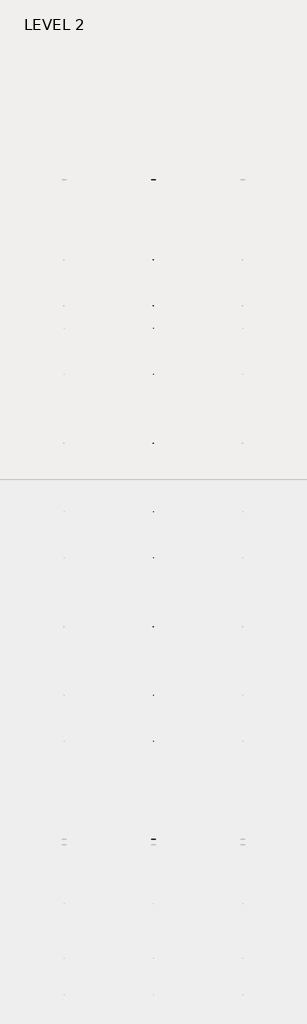
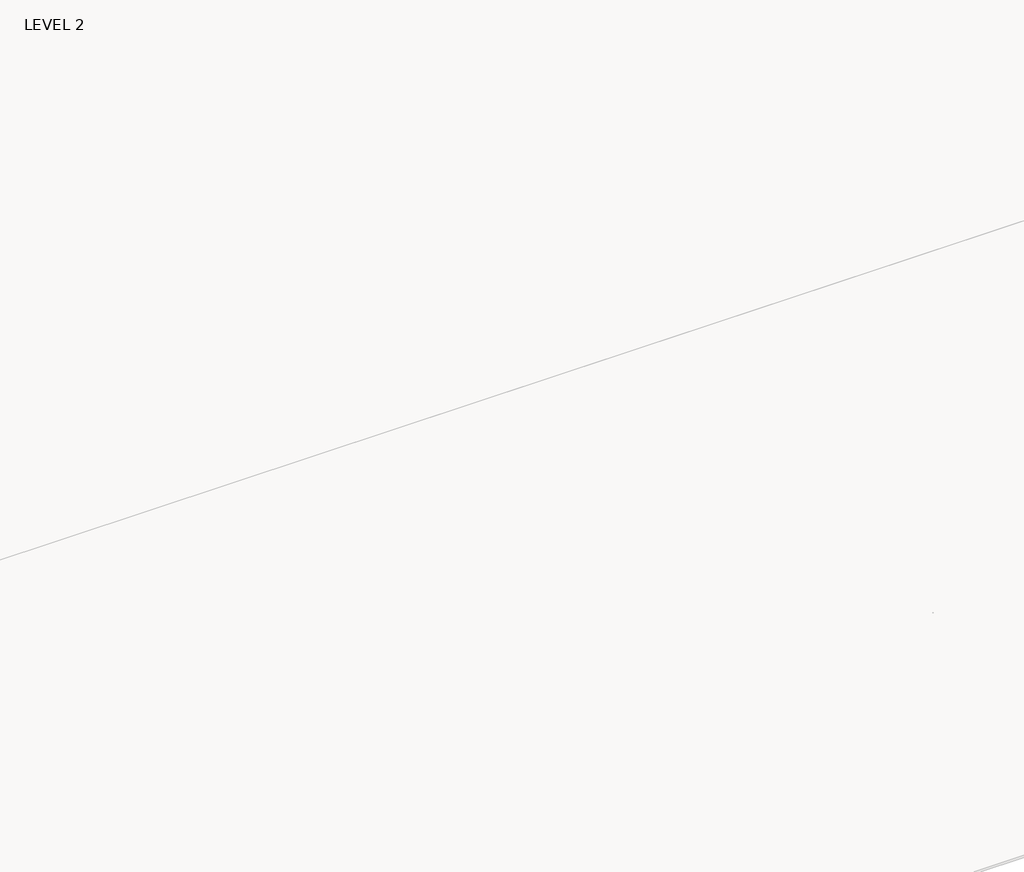
# One storey, part 50 of 67: 1 beam.
"""IFC4 building model written with IfcOpenShell, lengths in millimetres."""

from ifc_helpers import new_model, si_unit, frame, origin, place, context, project, spatial, polyline, outline, extrude, faceted_brep, element, save

model = new_model("IFC4")

# Units and contexts
model_context = context("Model", 3, world=origin())
ifc_project = project(units=[si_unit("LENGTHUNIT", "METRE", prefix="MILLI")], contexts=[model_context])

# Site, building, storey
site = spatial("IfcSite", under=ifc_project)
building = spatial("IfcBuilding", under=site)
storey = spatial("IfcBuildingStorey", under=building, Name="LEVEL 2", Elevation=6908.8)

# Beam
placement = place(None, origin())
element("IfcBeam", 1, ObjectType="K-Series Bar Joist-Angle Web : 30K7", at=placement, inside=storey, context=model_context, shape_type="SolidModel", body=[
    extrude(outline(polyline([(0.0, -9.525), (0.0, 0.0), (1596.011582, 0.0), (1596.011582, -9.525), (0.0, -9.525)])), frame((45684.0116542, 3035.5608234, 6301.5998528), z_axis=(0.0, -0.45537207995192985, 0.8903012236317849), x_axis=(0.0, -0.8903012236317849, -0.45537207995192985)), (0.0, 0.0, 1.0), 9.525),
    extrude(outline(polyline([(0.0, -9.525), (0.0, 0.0), (1596.011582, 0.0), (1596.011582, -9.525), (0.0, -9.525)])), frame((45674.4866542, -9405.2089013, 6276.405159), z_axis=(0.0, 0.45176233395621196, 0.8921383265046045), x_axis=(0.0, 0.8921383265046045, -0.45176233395621196)), (0.0, 0.0, 1.0), 9.525),
    extrude(outline(polyline([(4.7625, 4.7625), (4.7625, -4.7625), (-4.7625, -4.7625), (-4.7625, 4.7625), (4.7625, 4.7625)])), frame((45679.2491542, 1612.4610495, 5579.0607987), z_axis=(0.0, 0.5141906943646374, 0.8576758885667779), x_axis=(-1.0, 0.0, 0.0)), (0.0, 0.0, 1.0), 845.0528554),
    extrude(outline(polyline([(4.7625, 4.7625), (4.7625, -4.7625), (-4.7625, -4.7625), (-4.7625, 4.7625), (4.7625, 4.7625)])), frame((45679.2491542, -7979.1942813, 5559.6360505), z_axis=(0.0, -0.5176603441548682, 0.8555862131249332), x_axis=(-1.0, 0.0, 0.0)), (0.0, 0.0, 1.0), 845.0528554),
    extrude(outline(polyline([(0.0, 0.0), (31.75, 0.0), (31.75, -6.35), (6.35, -6.35), (6.35, -31.75), (0.0, -31.75), (0.0, 0.0)])), frame((45684.0116542, -8080.7812131, 5553.0803065), z_axis=(0.0, 0.9999979493462576, 0.0020251674695521043), x_axis=(1.0, 0.0, 0.0)), (0.0, 0.0, 1.0), 9794.875),
    extrude(outline(polyline([(-9.525, 0.0), (-9.525, -31.75), (-15.875, -31.75), (-15.875, -6.35), (-41.275, -6.35), (-41.275, 0.0), (-9.525, 0.0)])), frame((45684.0116542, -8080.7812131, 5553.0803065), z_axis=(0.0, 0.9999979493462576, 0.0020251674695521043), x_axis=(1.0, 0.0, 0.0)), (0.0, 0.0, 1.0), 9794.875),
    extrude(outline(polyline([(-31.75, 0.0), (0.0, 0.0), (0.0, -6.35), (-25.4, -6.35), (-25.4, -31.75), (-31.75, -31.75), (-31.75, 0.0)])), frame((45715.7616542, -9504.5928758, 6248.6982759), z_axis=(0.0, 0.9999979493462576, 0.0020251674695521043), x_axis=(1.0, 0.0, 0.0)), (0.0, 0.0, 1.0), 101.6),
    extrude(outline(polyline([(-41.275, 0.0), (-41.275, -31.75), (-47.625, -31.75), (-47.625, -6.35), (-73.025, -6.35), (-73.025, 0.0), (-41.275, 0.0)])), frame((45715.7616542, -9504.5928758, 6248.6982759), z_axis=(0.0, 0.9999979493462576, 0.0020251674695521043), x_axis=(1.0, 0.0, 0.0)), (0.0, 0.0, 1.0), 101.6),
    extrude(outline(polyline([(0.0, 0.0), (31.75, 0.0), (31.75, -6.35), (6.35, -6.35), (6.35, -31.75), (0.0, -31.75), (0.0, 0.0)])), frame((45674.4866542, 3033.456413, 6274.0899775), z_axis=(0.0, 0.9999979493462576, 0.0020251674695521043), x_axis=(0.0, -0.0020251674695521043, 0.9999979493462576)), (0.0, 0.0, 1.0), 101.6),
    extrude(outline(polyline([(0.0, 41.275), (6.35, 41.275), (6.35, 15.875), (31.75, 15.875), (31.75, 9.525), (0.0, 9.525), (0.0, 41.275)])), frame((45674.4866542, 3033.456413, 6274.0899775), z_axis=(0.0, 0.9999979493462576, 0.0020251674695521043), x_axis=(0.0, -0.0020251674695521043, 0.9999979493462576)), (0.0, 0.0, 1.0), 101.6),
    extrude(outline(polyline([(0.0, 0.0), (31.75, 0.0), (31.75, -6.35), (6.35, -6.35), (6.35, -31.75), (0.0, -31.75), (0.0, 0.0)])), frame((45684.0116542, -9504.7214739, 6312.1981457), z_axis=(0.0, 0.9999979493462576, 0.0020251674695521043), x_axis=(0.0, 0.0020251674695521043, -0.9999979493462576)), (0.0, 0.0, 1.0), 12639.675),
    extrude(outline(polyline([(0.0, 9.525), (0.0, 41.275), (6.35, 41.275), (6.35, 15.875), (31.75, 15.875), (31.75, 9.525), (0.0, 9.525)])), frame((45684.0116542, -9504.7214739, 6312.1981457), z_axis=(0.0, 0.9999979493462576, 0.0020251674695521043), x_axis=(0.0, 0.0020251674695521043, -0.9999979493462576)), (0.0, 0.0, 1.0), 12639.675),
    faceted_brep([(45679.2491542, 1612.4289, 5594.9357661), (45679.2491542, 1612.4674794, 5575.8858052), (45674.4866542, 1612.4674794, 5575.8858052), (45674.4866542, 1612.4289, 5594.9357661), (45679.2491542, 1611.5910583, 5594.9340693), (45679.2491542, 1186.8149607, 6330.6753354), (45679.2491542, 1168.6028414, 6330.6384527), (45679.2491542, 1168.6414208, 6311.5884918), (45679.2491542, 1175.8292494, 6311.6030483), (45679.2491542, 1600.6053471, 5575.8617823), (45674.4866542, 1600.6053471, 5575.8617823), (45674.4866542, 1580.4651011, 5610.7460665), (45674.4866542, 1584.5895575, 5613.1272983), (45674.4866542, 1189.1083632, 6298.1277874), (45674.4866542, 1184.9839067, 6295.7465555), (45674.4866542, 1175.8292494, 6311.6030483), (45674.4866542, 1168.6414208, 6311.5884918), (45674.4866542, 1168.6028414, 6330.6384527), (45674.4866542, 1186.8149607, 6330.6753354), (45674.4866542, 1611.5910583, 5594.9340693), (45661.7866542, 1184.9839067, 6295.7465555), (45661.7866542, 1580.4651011, 5610.7460665), (45661.7866542, 1584.5895575, 5613.1272983), (45661.7866542, 1189.1083632, 6298.1277874)], [[[0, 1, 2, 3]], [[1, 0, 4, 5, 6, 7, 8, 9]], [[2, 1, 9, 10]], [[3, 2, 10, 11, 12, 13, 14, 15, 16, 17, 18, 19]], [[0, 3, 19, 4]], [[9, 8, 15, 14, 20, 21, 11, 10]], [[5, 4, 19, 18]], [[7, 6, 17, 16]], [[8, 7, 16, 15]], [[6, 5, 18, 17]], [[21, 22, 12, 11]], [[20, 14, 13, 23]], [[22, 21, 20, 23]], [[12, 22, 23, 13]]]),
    extrude(outline(polyline([(740.498813, 5574.119919), (740.4602335, 5593.1698799), (741.2980751, 5593.1715767), (1163.090696, 6330.6272897), (1181.3028154, 6330.6641723), (1181.3413948, 6311.6142114), (1174.1535662, 6311.5996548), (752.3609453, 5574.1439418), (740.498813, 5574.119919)])), frame((45679.2491542, 0.0, 0.0), z_axis=(1.0, 0.0, 0.0), x_axis=(0.0, 1.0, 0.0)), (0.0, 0.0, 1.0), 4.7625),
    extrude(outline(polyline([(-4.7625, 4.7625), (-4.7625, 0.0), (-17.4625, 0.0), (-17.4625, 4.7625), (-4.7625, 4.7625)])), frame((45679.2491542, 772.3597334, 5609.1095144), z_axis=(0.0, 0.4964843899757221, 0.8680456500152716), x_axis=(-1.0, 0.0, 0.0)), (0.0, 0.0, 1.0), 790.9684223),
    faceted_brep([(45679.2491542, -7107.2577644, 5577.2769041), (45679.2491542, -7107.219185, 5558.2269432), (45674.4866542, -7107.219185, 5558.2269432), (45674.4866542, -7107.2577644, 5577.2769041), (45679.2491542, -7108.095606, 5577.2752074), (45679.2491542, -7532.8717036, 6313.0164734), (45679.2491542, -7551.083823, 6312.9795907), (45679.2491542, -7551.0452435, 6293.9296298), (45679.2491542, -7543.8574149, 6293.9441864), (45679.2491542, -7119.0813173, 5558.2029203), (45674.4866542, -7119.0813173, 5558.2029203), (45674.4866542, -7139.2215633, 5593.0872045), (45674.4866542, -7135.0971068, 5595.4684363), (45674.4866542, -7530.5783012, 6280.4689254), (45674.4866542, -7534.7027576, 6278.0876936), (45674.4866542, -7543.8574149, 6293.9441864), (45674.4866542, -7551.0452435, 6293.9296298), (45674.4866542, -7551.083823, 6312.9795907), (45674.4866542, -7532.8717036, 6313.0164734), (45674.4866542, -7108.095606, 5577.2752074), (45661.7866542, -7534.7027576, 6278.0876936), (45661.7866542, -7139.2215633, 5593.0872045), (45661.7866542, -7135.0971068, 5595.4684363), (45661.7866542, -7530.5783012, 6280.4689254)], [[[0, 1, 2, 3]], [[1, 0, 4, 5, 6, 7, 8, 9]], [[2, 1, 9, 10]], [[3, 2, 10, 11, 12, 13, 14, 15, 16, 17, 18, 19]], [[0, 3, 19, 4]], [[9, 8, 15, 14, 20, 21, 11, 10]], [[5, 4, 19, 18]], [[7, 6, 17, 16]], [[8, 7, 16, 15]], [[6, 5, 18, 17]], [[21, 22, 12, 11]], [[20, 14, 13, 23]], [[22, 21, 20, 23]], [[12, 22, 23, 13]]]),
    extrude(outline(polyline([(-7979.1878514, 5556.461057), (-7979.2264308, 5575.5110179), (-7978.3885892, 5575.5127147), (-7556.5959683, 6312.9684277), (-7538.383849, 6313.0053103), (-7538.3452696, 6293.9553494), (-7545.5330982, 6293.9407928), (-7967.3257191, 5556.4850798), (-7979.1878514, 5556.461057)])), frame((45679.2491542, 0.0, 0.0), z_axis=(1.0, 0.0, 0.0), x_axis=(0.0, 1.0, 0.0)), (0.0, 0.0, 1.0), 4.7625),
    extrude(outline(polyline([(-4.7625, 4.7625), (-4.7625, 0.0), (-17.4625, 0.0), (-17.4625, 4.7625), (-4.7625, 4.7625)])), frame((45679.2491542, -7947.326931, 5591.4506524), z_axis=(0.0, 0.4964843899757221, 0.8680456500152716), x_axis=(-1.0, 0.0, 0.0)), (0.0, 0.0, 1.0), 790.9684223),
    faceted_brep([(45679.2491542, 740.4602335, 5593.1698799), (45679.2491542, 740.498813, 5574.119919), (45674.4866542, 740.498813, 5574.119919), (45674.4866542, 740.4602335, 5593.1698799), (45679.2491542, 739.6223919, 5593.1681831), (45679.2491542, 314.8462943, 6328.9094492), (45679.2491542, 296.634175, 6328.8725665), (45679.2491542, 296.6727544, 6309.8226056), (45679.2491542, 303.860583, 6309.8371621), (45679.2491542, 728.6366806, 5574.0958961), (45674.4866542, 728.6366806, 5574.0958961), (45674.4866542, 708.4964346, 5608.9801803), (45674.4866542, 712.6208911, 5611.3614121), (45674.4866542, 317.1396968, 6296.3619012), (45674.4866542, 313.0152403, 6293.9806693), (45674.4866542, 303.860583, 6309.8371621), (45674.4866542, 296.6727544, 6309.8226056), (45674.4866542, 296.634175, 6328.8725665), (45674.4866542, 314.8462943, 6328.9094492), (45674.4866542, 739.6223919, 5593.1681831), (45661.7866542, 313.0152403, 6293.9806693), (45661.7866542, 708.4964346, 5608.9801803), (45661.7866542, 712.6208911, 5611.3614121), (45661.7866542, 317.1396968, 6296.3619012)], [[[0, 1, 2, 3]], [[1, 0, 4, 5, 6, 7, 8, 9]], [[2, 1, 9, 10]], [[3, 2, 10, 11, 12, 13, 14, 15, 16, 17, 18, 19]], [[0, 3, 19, 4]], [[9, 8, 15, 14, 20, 21, 11, 10]], [[5, 4, 19, 18]], [[7, 6, 17, 16]], [[8, 7, 16, 15]], [[6, 5, 18, 17]], [[21, 22, 12, 11]], [[20, 14, 13, 23]], [[22, 21, 20, 23]], [[12, 22, 23, 13]]]),
    extrude(outline(polyline([(-131.4698535, 5572.3540328), (-131.5084329, 5591.4039937), (-130.6705913, 5591.4056905), (291.1220296, 6328.8614035), (309.3341489, 6328.8982861), (309.3727284, 6309.8483252), (302.1848998, 6309.8337686), (-119.6077211, 5572.3780556), (-131.4698535, 5572.3540328)])), frame((45679.2491542, 0.0, 0.0), z_axis=(1.0, 0.0, 0.0), x_axis=(0.0, 1.0, 0.0)), (0.0, 0.0, 1.0), 4.7625),
    extrude(outline(polyline([(-4.7625, 4.7625), (-4.7625, 0.0), (-17.4625, 0.0), (-17.4625, 4.7625), (-4.7625, 4.7625)])), frame((45679.2491542, -99.6089331, 5607.3436282), z_axis=(0.0, 0.4964843899757221, 0.8680456500152716), x_axis=(-1.0, 0.0, 0.0)), (0.0, 0.0, 1.0), 790.9684223),
    faceted_brep([(45679.2491542, -131.5084329, 5591.4039937), (45679.2491542, -131.4698535, 5572.3540328), (45674.4866542, -131.4698535, 5572.3540328), (45674.4866542, -131.5084329, 5591.4039937), (45679.2491542, -132.3462745, 5591.4022969), (45679.2491542, -557.1223722, 6327.143563), (45679.2491542, -575.3344915, 6327.1066803), (45679.2491542, -575.295912, 6308.0567194), (45679.2491542, -568.1080834, 6308.0712759), (45679.2491542, -143.3319858, 5572.3300099), (45674.4866542, -143.3319858, 5572.3300099), (45674.4866542, -163.4722318, 5607.2142941), (45674.4866542, -159.3477753, 5609.5955259), (45674.4866542, -554.8289697, 6294.596015), (45674.4866542, -558.9534262, 6292.2147831), (45674.4866542, -568.1080834, 6308.0712759), (45674.4866542, -575.295912, 6308.0567194), (45674.4866542, -575.3344915, 6327.1066803), (45674.4866542, -557.1223722, 6327.143563), (45674.4866542, -132.3462745, 5591.4022969), (45661.7866542, -558.9534262, 6292.2147831), (45661.7866542, -163.4722318, 5607.2142941), (45661.7866542, -159.3477753, 5609.5955259), (45661.7866542, -554.8289697, 6294.596015)], [[[0, 1, 2, 3]], [[1, 0, 4, 5, 6, 7, 8, 9]], [[2, 1, 9, 10]], [[3, 2, 10, 11, 12, 13, 14, 15, 16, 17, 18, 19]], [[0, 3, 19, 4]], [[9, 8, 15, 14, 20, 21, 11, 10]], [[5, 4, 19, 18]], [[7, 6, 17, 16]], [[8, 7, 16, 15]], [[6, 5, 18, 17]], [[21, 22, 12, 11]], [[20, 14, 13, 23]], [[22, 21, 20, 23]], [[12, 22, 23, 13]]]),
    extrude(outline(polyline([(-1003.4385199, 5570.5881466), (-1003.4770993, 5589.6381075), (-1002.6392577, 5589.6398043), (-580.8466368, 6327.0955173), (-562.6345175, 6327.1323999), (-562.5959381, 6308.082439), (-569.7837667, 6308.0678824), (-991.5763876, 5570.6121694), (-1003.4385199, 5570.5881466)])), frame((45679.2491542, 0.0, 0.0), z_axis=(1.0, 0.0, 0.0), x_axis=(0.0, 1.0, 0.0)), (0.0, 0.0, 1.0), 4.7625),
    extrude(outline(polyline([(-4.7625, 4.7625), (-4.7625, 0.0), (-17.4625, 0.0), (-17.4625, 4.7625), (-4.7625, 4.7625)])), frame((45679.2491542, -971.5775995, 5605.577742), z_axis=(0.0, 0.4964843899757221, 0.8680456500152716), x_axis=(-1.0, 0.0, 0.0)), (0.0, 0.0, 1.0), 790.9684223),
    faceted_brep([(45679.2491542, -1003.4770993, 5589.6381075), (45679.2491542, -1003.4385199, 5570.5881466), (45674.4866542, -1003.4385199, 5570.5881466), (45674.4866542, -1003.4770993, 5589.6381075), (45679.2491542, -1004.314941, 5589.6364107), (45679.2491542, -1429.0910386, 6325.3776768), (45679.2491542, -1447.3031579, 6325.3407941), (45679.2491542, -1447.2645785, 6306.2908332), (45679.2491542, -1440.0767499, 6306.3053897), (45679.2491542, -1015.3006522, 5570.5641237), (45674.4866542, -1015.3006522, 5570.5641237), (45674.4866542, -1035.4408983, 5605.4484079), (45674.4866542, -1031.3164418, 5607.8296397), (45674.4866542, -1426.7976361, 6292.8301288), (45674.4866542, -1430.9220926, 6290.4488969), (45674.4866542, -1440.0767499, 6306.3053897), (45674.4866542, -1447.2645785, 6306.2908332), (45674.4866542, -1447.3031579, 6325.3407941), (45674.4866542, -1429.0910386, 6325.3776768), (45674.4866542, -1004.314941, 5589.6364107), (45661.7866542, -1430.9220926, 6290.4488969), (45661.7866542, -1035.4408983, 5605.4484079), (45661.7866542, -1031.3164418, 5607.8296397), (45661.7866542, -1426.7976361, 6292.8301288)], [[[0, 1, 2, 3]], [[1, 0, 4, 5, 6, 7, 8, 9]], [[2, 1, 9, 10]], [[3, 2, 10, 11, 12, 13, 14, 15, 16, 17, 18, 19]], [[0, 3, 19, 4]], [[9, 8, 15, 14, 20, 21, 11, 10]], [[5, 4, 19, 18]], [[7, 6, 17, 16]], [[8, 7, 16, 15]], [[6, 5, 18, 17]], [[21, 22, 12, 11]], [[20, 14, 13, 23]], [[22, 21, 20, 23]], [[12, 22, 23, 13]]]),
    extrude(outline(polyline([(-1875.4071863, 5568.8222604), (-1875.4457658, 5587.8722213), (-1874.6079242, 5587.8739181), (-1452.8153033, 6325.3296311), (-1434.6031839, 6325.3665137), (-1434.5646045, 6306.3165528), (-1441.7524331, 6306.3019962), (-1863.545054, 5568.8462832), (-1875.4071863, 5568.8222604)])), frame((45679.2491542, 0.0, 0.0), z_axis=(1.0, 0.0, 0.0), x_axis=(0.0, 1.0, 0.0)), (0.0, 0.0, 1.0), 4.7625),
    extrude(outline(polyline([(-4.7625, 4.7625001), (-4.7625, 0.0), (-17.4625, 0.0), (-17.4625, 4.7625001), (-4.7625, 4.7625001)])), frame((45679.2491542, -1843.5462659, 5603.8118558), z_axis=(0.0, 0.4964843899757221, 0.8680456500152716), x_axis=(-1.0, 0.0, 0.0)), (0.0, 0.0, 1.0), 790.9684223),
    faceted_brep([(45679.2491542, -1875.4457658, 5587.8722213), (45679.2491542, -1875.4071863, 5568.8222604), (45674.4866542, -1875.4071863, 5568.8222604), (45674.4866542, -1875.4457658, 5587.8722213), (45679.2491542, -1876.2836074, 5587.8705245), (45679.2491542, -2301.059705, 6323.6117906), (45679.2491542, -2319.2718243, 6323.5749079), (45679.2491542, -2319.2332449, 6304.524947), (45679.2491542, -2312.0454163, 6304.5395035), (45679.2491542, -1887.2693187, 5568.7982375), (45674.4866542, -1887.2693187, 5568.7982375), (45674.4866542, -1907.4095647, 5603.6825217), (45674.4866542, -1903.2851082, 5606.0637535), (45674.4866542, -2298.7663026, 6291.0642426), (45674.4866542, -2302.890759, 6288.6830107), (45674.4866542, -2312.0454163, 6304.5395035), (45674.4866542, -2319.2332449, 6304.524947), (45674.4866542, -2319.2718243, 6323.5749079), (45674.4866542, -2301.059705, 6323.6117906), (45674.4866542, -1876.2836074, 5587.8705245), (45661.7866542, -2302.890759, 6288.6830107), (45661.7866542, -1907.4095647, 5603.6825217), (45661.7866542, -1903.2851082, 5606.0637535), (45661.7866542, -2298.7663026, 6291.0642426)], [[[0, 1, 2, 3]], [[1, 0, 4, 5, 6, 7, 8, 9]], [[2, 1, 9, 10]], [[3, 2, 10, 11, 12, 13, 14, 15, 16, 17, 18, 19]], [[0, 3, 19, 4]], [[9, 8, 15, 14, 20, 21, 11, 10]], [[5, 4, 19, 18]], [[7, 6, 17, 16]], [[8, 7, 16, 15]], [[6, 5, 18, 17]], [[21, 22, 12, 11]], [[20, 14, 13, 23]], [[22, 21, 20, 23]], [[12, 22, 23, 13]]]),
    extrude(outline(polyline([(-2747.3758528, 5567.0563742), (-2747.4144322, 5586.1063351), (-2746.5765906, 5586.1080319), (-2324.7839697, 6323.5637449), (-2306.5718504, 6323.6006275), (-2306.5332709, 6304.5506666), (-2313.7210995, 6304.53611), (-2735.5137204, 5567.080397), (-2747.3758528, 5567.0563742)])), frame((45679.2491542, 0.0, 0.0), z_axis=(1.0, 0.0, 0.0), x_axis=(0.0, 1.0, 0.0)), (0.0, 0.0, 1.0), 4.7625),
    extrude(outline(polyline([(-4.7625, 4.7625), (-4.7625, 0.0), (-17.4625, 0.0), (-17.4625, 4.7625), (-4.7625, 4.7625)])), frame((45679.2491542, -2715.5149324, 5602.0459696), z_axis=(0.0, 0.4964843899757221, 0.8680456500152716), x_axis=(-1.0, 0.0, 0.0)), (0.0, 0.0, 1.0), 790.9684223),
    faceted_brep([(45679.2491542, -2747.4144322, 5586.1063351), (45679.2491542, -2747.3758528, 5567.0563742), (45674.4866542, -2747.3758528, 5567.0563742), (45674.4866542, -2747.4144322, 5586.1063351), (45679.2491542, -2748.2522738, 5586.1046383), (45679.2491542, -3173.0283715, 6321.8459044), (45679.2491542, -3191.2404908, 6321.8090217), (45679.2491542, -3191.2019113, 6302.7590608), (45679.2491542, -3184.0140827, 6302.7736173), (45679.2491542, -2759.2379851, 5567.0323513), (45674.4866542, -2759.2379851, 5567.0323513), (45674.4866542, -2779.3782311, 5601.9166355), (45674.4866542, -2775.2537747, 5604.2978673), (45674.4866542, -3170.734969, 6289.2983564), (45674.4866542, -3174.8594255, 6286.9171245), (45674.4866542, -3184.0140827, 6302.7736173), (45674.4866542, -3191.2019113, 6302.7590608), (45674.4866542, -3191.2404908, 6321.8090217), (45674.4866542, -3173.0283715, 6321.8459044), (45674.4866542, -2748.2522738, 5586.1046383), (45661.7866542, -3174.8594255, 6286.9171245), (45661.7866542, -2779.3782311, 5601.9166355), (45661.7866542, -2775.2537747, 5604.2978673), (45661.7866542, -3170.734969, 6289.2983564)], [[[0, 1, 2, 3]], [[1, 0, 4, 5, 6, 7, 8, 9]], [[2, 1, 9, 10]], [[3, 2, 10, 11, 12, 13, 14, 15, 16, 17, 18, 19]], [[0, 3, 19, 4]], [[9, 8, 15, 14, 20, 21, 11, 10]], [[5, 4, 19, 18]], [[7, 6, 17, 16]], [[8, 7, 16, 15]], [[6, 5, 18, 17]], [[21, 22, 12, 11]], [[20, 14, 13, 23]], [[22, 21, 20, 23]], [[12, 22, 23, 13]]]),
    extrude(outline(polyline([(-3619.3445192, 5565.290488), (-3619.3830987, 5584.3404489), (-3618.545257, 5584.3421457), (-3196.7526361, 6321.7978587), (-3178.5405168, 6321.8347413), (-3178.5019374, 6302.7847804), (-3185.689766, 6302.7702238), (-3607.4823869, 5565.3145108), (-3619.3445192, 5565.290488)])), frame((45679.2491542, 0.0, 0.0), z_axis=(1.0, 0.0, 0.0), x_axis=(0.0, 1.0, 0.0)), (0.0, 0.0, 1.0), 4.7625),
    extrude(outline(polyline([(-4.7625, 4.7625), (-4.7625, 0.0), (-17.4625, 0.0), (-17.4625, 4.7625), (-4.7625, 4.7625)])), frame((45679.2491542, -3587.4835988, 5600.2800834), z_axis=(0.0, 0.4964843899757221, 0.8680456500152716), x_axis=(-1.0, 0.0, 0.0)), (0.0, 0.0, 1.0), 790.9684223),
    faceted_brep([(45679.2491542, -3619.3830987, 5584.3404489), (45679.2491542, -3619.3445192, 5565.290488), (45674.4866542, -3619.3445192, 5565.290488), (45674.4866542, -3619.3830987, 5584.3404489), (45679.2491542, -3620.2209403, 5584.3387521), (45679.2491542, -4044.9970379, 6320.0800182), (45679.2491542, -4063.2091572, 6320.0431355), (45679.2491542, -4063.1705778, 6300.9931746), (45679.2491542, -4055.9827492, 6301.0077311), (45679.2491542, -3631.2066516, 5565.2664651), (45674.4866542, -3631.2066516, 5565.2664651), (45674.4866542, -3651.3468976, 5600.1507493), (45674.4866542, -3647.2224411, 5602.5319811), (45674.4866542, -4042.7036354, 6287.5324702), (45674.4866542, -4046.8280919, 6285.1512383), (45674.4866542, -4055.9827492, 6301.0077311), (45674.4866542, -4063.1705778, 6300.9931746), (45674.4866542, -4063.2091572, 6320.0431355), (45674.4866542, -4044.9970379, 6320.0800182), (45674.4866542, -3620.2209403, 5584.3387521), (45661.7866542, -4046.8280919, 6285.1512383), (45661.7866542, -3651.3468976, 5600.1507493), (45661.7866542, -3647.2224411, 5602.5319811), (45661.7866542, -4042.7036354, 6287.5324702)], [[[0, 1, 2, 3]], [[1, 0, 4, 5, 6, 7, 8, 9]], [[2, 1, 9, 10]], [[3, 2, 10, 11, 12, 13, 14, 15, 16, 17, 18, 19]], [[0, 3, 19, 4]], [[9, 8, 15, 14, 20, 21, 11, 10]], [[5, 4, 19, 18]], [[7, 6, 17, 16]], [[8, 7, 16, 15]], [[6, 5, 18, 17]], [[21, 22, 12, 11]], [[20, 14, 13, 23]], [[22, 21, 20, 23]], [[12, 22, 23, 13]]]),
    extrude(outline(polyline([(-4491.3131857, 5563.5246018), (-4491.3517651, 5582.5745627), (-4490.5139235, 5582.5762595), (-4068.7213026, 6320.0319725), (-4050.5091833, 6320.0688551), (-4050.4706038, 6301.0188942), (-4057.6584324, 6301.0043376), (-4479.4510533, 5563.5486246), (-4491.3131857, 5563.5246018)])), frame((45679.2491542, 0.0, 0.0), z_axis=(1.0, 0.0, 0.0), x_axis=(0.0, 1.0, 0.0)), (0.0, 0.0, 1.0), 4.7625),
    extrude(outline(polyline([(-4.7625, 4.7625), (-4.7625, 0.0), (-17.4625, 0.0), (-17.4625, 4.7625), (-4.7625, 4.7625)])), frame((45679.2491542, -4459.4522653, 5598.5141972), z_axis=(0.0, 0.4964843899757221, 0.8680456500152716), x_axis=(-1.0, 0.0, 0.0)), (0.0, 0.0, 1.0), 790.9684223),
    faceted_brep([(45679.2491542, -4491.3517651, 5582.5745627), (45679.2491542, -4491.3131857, 5563.5246018), (45674.4866542, -4491.3131857, 5563.5246018), (45674.4866542, -4491.3517651, 5582.5745627), (45679.2491542, -4492.1896067, 5582.572866), (45679.2491542, -4916.9657043, 6318.314132), (45679.2491542, -4935.1778236, 6318.2772493), (45679.2491542, -4935.1392442, 6299.2272884), (45679.2491542, -4927.9514156, 6299.241845), (45679.2491542, -4503.175318, 5563.5005789), (45674.4866542, -4503.175318, 5563.5005789), (45674.4866542, -4523.315564, 5598.3848631), (45674.4866542, -4519.1911075, 5600.7660949), (45674.4866542, -4914.6723019, 6285.766584), (45674.4866542, -4918.7967583, 6283.3853521), (45674.4866542, -4927.9514156, 6299.241845), (45674.4866542, -4935.1392442, 6299.2272884), (45674.4866542, -4935.1778236, 6318.2772493), (45674.4866542, -4916.9657043, 6318.314132), (45674.4866542, -4492.1896067, 5582.572866), (45661.7866542, -4918.7967583, 6283.3853521), (45661.7866542, -4523.315564, 5598.3848631), (45661.7866542, -4519.1911075, 5600.7660949), (45661.7866542, -4914.6723019, 6285.766584)], [[[0, 1, 2, 3]], [[1, 0, 4, 5, 6, 7, 8, 9]], [[2, 1, 9, 10]], [[3, 2, 10, 11, 12, 13, 14, 15, 16, 17, 18, 19]], [[0, 3, 19, 4]], [[9, 8, 15, 14, 20, 21, 11, 10]], [[5, 4, 19, 18]], [[7, 6, 17, 16]], [[8, 7, 16, 15]], [[6, 5, 18, 17]], [[21, 22, 12, 11]], [[20, 14, 13, 23]], [[22, 21, 20, 23]], [[12, 22, 23, 13]]]),
    extrude(outline(polyline([(-5363.2818521, 5561.7587156), (-5363.3204315, 5580.8086765), (-5362.4825899, 5580.8103733), (-4940.689969, 6318.2660863), (-4922.4778497, 6318.3029689), (-4922.4392703, 6299.253008), (-4929.6270988, 6299.2384514), (-5351.4197198, 5561.7827384), (-5363.2818521, 5561.7587156)])), frame((45679.2491542, 0.0, 0.0), z_axis=(1.0, 0.0, 0.0), x_axis=(0.0, 1.0, 0.0)), (0.0, 0.0, 1.0), 4.7625),
    extrude(outline(polyline([(-4.7625, 4.7625), (-4.7625, 0.0), (-17.4625, 0.0), (-17.4625, 4.7625), (-4.7625, 4.7625)])), frame((45679.2491542, -5331.4209317, 5596.748311), z_axis=(0.0, 0.4964843899757221, 0.8680456500152716), x_axis=(-1.0, 0.0, 0.0)), (0.0, 0.0, 1.0), 790.9684223),
    faceted_brep([(45679.2491542, -5363.3204315, 5580.8086765), (45679.2491542, -5363.2818521, 5561.7587156), (45674.4866542, -5363.2818521, 5561.7587156), (45674.4866542, -5363.3204315, 5580.8086765), (45679.2491542, -5364.1582731, 5580.8069798), (45679.2491542, -5788.9343708, 6316.5482458), (45679.2491542, -5807.1464901, 6316.5113631), (45679.2491542, -5807.1079106, 6297.4614022), (45679.2491542, -5799.920082, 6297.4759588), (45679.2491542, -5375.1439844, 5561.7346927), (45674.4866542, -5375.1439844, 5561.7346927), (45674.4866542, -5395.2842304, 5596.6189769), (45674.4866542, -5391.159774, 5599.0002087), (45674.4866542, -5786.6409683, 6284.0006978), (45674.4866542, -5790.7654248, 6281.6194659), (45674.4866542, -5799.920082, 6297.4759588), (45674.4866542, -5807.1079106, 6297.4614022), (45674.4866542, -5807.1464901, 6316.5113631), (45674.4866542, -5788.9343708, 6316.5482458), (45674.4866542, -5364.1582731, 5580.8069798), (45661.7866542, -5790.7654248, 6281.6194659), (45661.7866542, -5395.2842304, 5596.6189769), (45661.7866542, -5391.159774, 5599.0002087), (45661.7866542, -5786.6409683, 6284.0006978)], [[[0, 1, 2, 3]], [[1, 0, 4, 5, 6, 7, 8, 9]], [[2, 1, 9, 10]], [[3, 2, 10, 11, 12, 13, 14, 15, 16, 17, 18, 19]], [[0, 3, 19, 4]], [[9, 8, 15, 14, 20, 21, 11, 10]], [[5, 4, 19, 18]], [[7, 6, 17, 16]], [[8, 7, 16, 15]], [[6, 5, 18, 17]], [[21, 22, 12, 11]], [[20, 14, 13, 23]], [[22, 21, 20, 23]], [[12, 22, 23, 13]]]),
    extrude(outline(polyline([(-6235.2505185, 5559.9928294), (-6235.289098, 5579.0427903), (-6234.4512563, 5579.0444871), (-5812.6586354, 6316.5002001), (-5794.4465161, 6316.5370827), (-5794.4079367, 6297.4871218), (-5801.5957653, 6297.4725652), (-6223.3883862, 5560.0168522), (-6235.2505185, 5559.9928294)])), frame((45679.2491542, 0.0, 0.0), z_axis=(1.0, 0.0, 0.0), x_axis=(0.0, 1.0, 0.0)), (0.0, 0.0, 1.0), 4.7625),
    extrude(outline(polyline([(-4.7625, 4.7625), (-4.7625, 0.0), (-17.4625, 0.0), (-17.4625, 4.7625), (-4.7625, 4.7625)])), frame((45679.2491542, -6203.3895981, 5594.9824248), z_axis=(0.0, 0.4964843899757221, 0.8680456500152716), x_axis=(-1.0, 0.0, 0.0)), (0.0, 0.0, 1.0), 790.9684223),
    faceted_brep([(45679.2491542, -6235.289098, 5579.0427903), (45679.2491542, -6235.2505185, 5559.9928294), (45674.4866542, -6235.2505185, 5559.9928294), (45674.4866542, -6235.289098, 5579.0427903), (45679.2491542, -6236.1269396, 5579.0410936), (45679.2491542, -6660.9030372, 6314.7823596), (45679.2491542, -6679.1151565, 6314.7454769), (45679.2491542, -6679.0765771, 6295.695516), (45679.2491542, -6671.8887485, 6295.7100726), (45679.2491542, -6247.1126509, 5559.9688065), (45674.4866542, -6247.1126509, 5559.9688065), (45674.4866542, -6267.2528969, 5594.8530907), (45674.4866542, -6263.1284404, 5597.2343225), (45674.4866542, -6658.6096347, 6282.2348116), (45674.4866542, -6662.7340912, 6279.8535798), (45674.4866542, -6671.8887485, 6295.7100726), (45674.4866542, -6679.0765771, 6295.695516), (45674.4866542, -6679.1151565, 6314.7454769), (45674.4866542, -6660.9030372, 6314.7823596), (45674.4866542, -6236.1269396, 5579.0410936), (45661.7866542, -6662.7340912, 6279.8535798), (45661.7866542, -6267.2528969, 5594.8530907), (45661.7866542, -6263.1284404, 5597.2343225), (45661.7866542, -6658.6096347, 6282.2348116)], [[[0, 1, 2, 3]], [[1, 0, 4, 5, 6, 7, 8, 9]], [[2, 1, 9, 10]], [[3, 2, 10, 11, 12, 13, 14, 15, 16, 17, 18, 19]], [[0, 3, 19, 4]], [[9, 8, 15, 14, 20, 21, 11, 10]], [[5, 4, 19, 18]], [[7, 6, 17, 16]], [[8, 7, 16, 15]], [[6, 5, 18, 17]], [[21, 22, 12, 11]], [[20, 14, 13, 23]], [[22, 21, 20, 23]], [[12, 22, 23, 13]]]),
    extrude(outline(polyline([(-7107.219185, 5558.2269432), (-7107.2577644, 5577.2769041), (-7106.4199228, 5577.2786009), (-6684.6273019, 6314.7343139), (-6666.4151826, 6314.7711965), (-6666.3766031, 6295.7212356), (-6673.5644317, 6295.706679), (-7095.3570526, 5558.250966), (-7107.219185, 5558.2269432)])), frame((45679.2491542, 0.0, 0.0), z_axis=(1.0, 0.0, 0.0), x_axis=(0.0, 1.0, 0.0)), (0.0, 0.0, 1.0), 4.7625),
    extrude(outline(polyline([(-4.7625, 4.7625), (-4.7625, 0.0), (-17.4625, 0.0), (-17.4625, 4.7625), (-4.7625, 4.7625)])), frame((45679.2491542, -7075.3582646, 5593.2165386), z_axis=(0.0, 0.4964843899757221, 0.8680456500152716), x_axis=(-1.0, 0.0, 0.0)), (0.0, 0.0, 1.0), 790.9684223),
])

save(model, "model.ifc")
